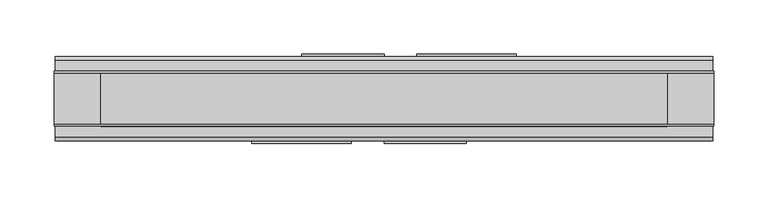
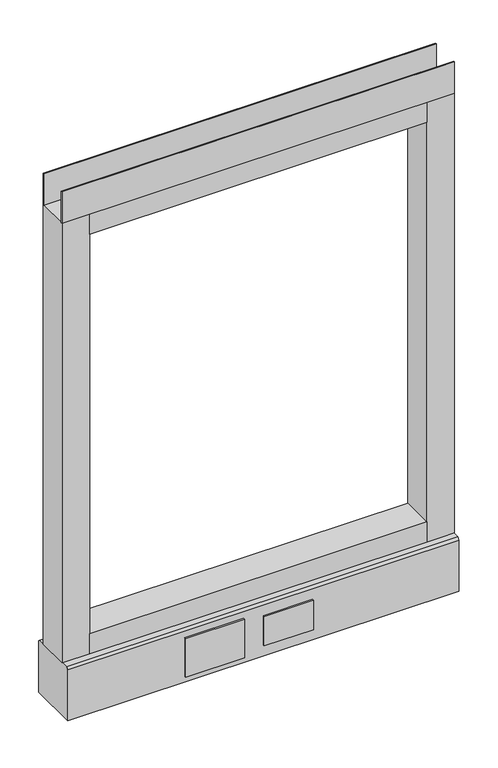
"""IFC4 building model written with IfcOpenShell, lengths in millimetres: furniture geometry."""

import ifcopenshell
import ifcopenshell.guid

model = None  # the IFC model being written
_history = None  # IfcOwnerHistory: only IFC2X3 demands one
_inside = {}  # id of a spatial element -> (the spatial element, [elements in it])
_under = {}  # id of a project, library or spatial element -> (it, [spatial elements below it])
_declared = {}  # id of a project -> (the project, [libraries it declares])
_typed = {}  # id of a type object -> (the type object, [elements of that type])
_made_of = {}  # id of a material, layer set ... -> (it, [elements and type objects made of it])


def new_model(schema):
    """Start an empty IFC model of exactly this schema.

    Asked for "IFC4X3", IfcOpenShell would pick the latest addendum, in which some entities
    have other attributes; the version numbers below select the first issue.
    IFC2X3 requires an IfcOwnerHistory on every rooted entity: one is made here for all.
    """
    global model, _history
    if schema == "IFC4X3":
        model = ifcopenshell.file(schema_version=(4, 3, 0, 0))
    else:
        model = ifcopenshell.file(schema=schema)
    _inside.clear()
    _under.clear()
    _declared.clear()
    _typed.clear()
    _made_of.clear()
    _history = None
    if model.schema == "IFC2X3":
        org = make("IfcOrganization", Name="unknown")
        user = make(
            "IfcPersonAndOrganization",
            ThePerson=make("IfcPerson", FamilyName="unknown"),
            TheOrganization=org,
        )
        app = make(
            "IfcApplication",
            ApplicationDeveloper=org,
            Version="unknown",
            ApplicationFullName="unknown",
            ApplicationIdentifier="unknown",
        )
        _history = make(
            "IfcOwnerHistory",
            OwningUser=user,
            OwningApplication=app,
            ChangeAction="ADDED",
            CreationDate=0,
        )
    return model


def make(cls, **values):
    """One entity of the class cls with the attributes given. An attribute that is None is left unset."""
    return model.create_entity(
        cls, **{name: value for name, value in values.items() if value is not None}
    )


def rooted(cls, **values):
    """An entity with a GlobalId (a new one), such as an element, a storey or a relation."""
    return make(cls, GlobalId=ifcopenshell.guid.new(), OwnerHistory=_history, **values)


def si_unit(unit_type, name, prefix=None):
    """IfcSIUnit, for example si_unit("LENGTHUNIT", "METRE", prefix="MILLI")."""
    return make("IfcSIUnit", UnitType=unit_type, Prefix=prefix, Name=name)


def assignment(units):
    """IfcUnitAssignment: the units of a project."""
    return None if units is None else make("IfcUnitAssignment", Units=units)


def point(xyz):
    """IfcCartesianPoint."""
    return None if xyz is None else make("IfcCartesianPoint", Coordinates=xyz)


def direction(xyz):
    """IfcDirection."""
    return None if xyz is None else make("IfcDirection", DirectionRatios=xyz)


def frame(location, z_axis=None, x_axis=None):
    """IfcAxis2Placement3D, a coordinate frame: its origin and axes. An axis left out is left unset."""
    return make(
        "IfcAxis2Placement3D",
        Location=point(location),
        Axis=direction(z_axis),
        RefDirection=direction(x_axis),
    )


def frame_2d(location, x_axis=None):
    """IfcAxis2Placement2D, a coordinate frame in the plane: its origin and x axis."""
    return make(
        "IfcAxis2Placement2D", Location=point(location), RefDirection=direction(x_axis)
    )


def origin():
    """The frame at (0, 0, 0) with its axes left unset."""
    return frame((0.0, 0.0, 0.0))


def place(relative_to, where):
    """IfcLocalPlacement: puts the frame where relative to a parent placement (None: the world)."""
    return make(
        "IfcLocalPlacement", PlacementRelTo=relative_to, RelativePlacement=where
    )


def context(
    kind, dimensions, precision=None, world=None, true_north=None, identifier=None
):
    """IfcGeometricRepresentationContext, for example the 3D "Model" context."""
    return make(
        "IfcGeometricRepresentationContext",
        ContextIdentifier=identifier,
        ContextType=kind,
        CoordinateSpaceDimension=dimensions,
        Precision=precision,
        WorldCoordinateSystem=world,
        TrueNorth=true_north,
    )


def project(units=None, contexts=None):
    """IfcProject with its units and contexts."""
    return rooted(
        "IfcProject",
        Name="project",
        RepresentationContexts=contexts,
        UnitsInContext=assignment(units),
    )


def spatial(cls, under=None, at=None, **own):
    """A site, building, storey or space (cls), placed at a placement, below another one or the project."""
    s = rooted(cls, ObjectPlacement=at, **own)
    if under is not None:
        _under.setdefault(under.id(), (under, []))[1].append(s)
    return s


def polyline(points):
    """IfcPolyline through the points."""
    return make("IfcPolyline", Points=[point(p) for p in points])


def circle_curve(where, radius):
    """IfcCircle in the frame where."""
    return make("IfcCircle", Position=where, Radius=radius)


def trimmed(basis, trim1, trim2, sense, master):
    """IfcTrimmedCurve: the piece of a basis curve between two trims."""
    return make(
        "IfcTrimmedCurve",
        BasisCurve=basis,
        Trim1=trim1,
        Trim2=trim2,
        SenseAgreement=sense,
        MasterRepresentation=master,
    )


def segment(curve, same_sense, transition):
    """IfcCompositeCurveSegment."""
    return make(
        "IfcCompositeCurveSegment",
        Transition=transition,
        SameSense=same_sense,
        ParentCurve=curve,
    )


def composite_curve(segments, self_intersect=None):
    """IfcCompositeCurve: segments joined end to end."""
    return make("IfcCompositeCurve", Segments=segments, SelfIntersect=self_intersect)


def outline(outer, holes=None, kind="AREA"):
    """IfcArbitraryClosedProfileDef: a profile drawn as a closed curve; with holes, ...WithVoids."""
    if holes is None:
        return make("IfcArbitraryClosedProfileDef", ProfileType=kind, OuterCurve=outer)
    return make(
        "IfcArbitraryProfileDefWithVoids",
        ProfileType=kind,
        OuterCurve=outer,
        InnerCurves=holes,
    )


def extrude(swept, where, along, depth):
    """IfcExtrudedAreaSolid: the profile swept, set in the frame where, extruded along a direction by depth."""
    return make(
        "IfcExtrudedAreaSolid",
        SweptArea=swept,
        Position=where,
        ExtrudedDirection=direction(along),
        Depth=depth,
    )


def shape(context_of_items, identifier, shape_type, items):
    """IfcShapeRepresentation: the items that make up one representation, for example the "Body"."""
    return make(
        "IfcShapeRepresentation",
        ContextOfItems=context_of_items,
        RepresentationIdentifier=identifier,
        RepresentationType=shape_type,
        Items=items,
    )


def source(mapping_origin, context_of_items, identifier, shape_type, items):
    """IfcRepresentationMap: a shape defined once, which mapped items show again and again."""
    return make(
        "IfcRepresentationMap",
        MappingOrigin=mapping_origin,
        MappedRepresentation=shape(context_of_items, identifier, shape_type, items),
    )


def transform(
    local_origin,
    x_axis=None,
    y_axis=None,
    z_axis=None,
    scale=None,
    scale2=None,
    scale3=None,
    uniform=True,
):
    """IfcCartesianTransformationOperator3D, or its non-uniform kind. x_axis, y_axis, z_axis: its Axis1, 2, 3."""
    if uniform:
        return make(
            "IfcCartesianTransformationOperator3D",
            Axis1=direction(x_axis),
            Axis2=direction(y_axis),
            LocalOrigin=point(local_origin),
            Scale=scale,
            Axis3=direction(z_axis),
        )
    return make(
        "IfcCartesianTransformationOperator3DnonUniform",
        Axis1=direction(x_axis),
        Axis2=direction(y_axis),
        LocalOrigin=point(local_origin),
        Scale=scale,
        Axis3=direction(z_axis),
        Scale2=scale2,
        Scale3=scale3,
    )


def mapped(mapping_source, mapping_target):
    """IfcMappedItem: shows the shape of a source again, moved by a transform."""
    return make(
        "IfcMappedItem", MappingSource=mapping_source, MappingTarget=mapping_target
    )


def made_of(thing, what):
    """Note that an element or type object is made of a material, layer set ...; save() writes the relation."""
    if what is not None:
        _made_of.setdefault(what.id(), (what, []))[1].append(thing)
    return thing


def element(
    cls,
    number,
    at=None,
    inside=None,
    cuts=None,
    type_object=None,
    material=None,
    context=None,
    identifier="Body",
    shape_type=None,
    held_by="IfcProductDefinitionShape",
    body=None,
    shapes=None,
    **own,
):
    """One element of the class cls, such as IfcWall. Its Tag is "e" and its number.

    at: its placement. inside: the storey or other place that contains it. cuts: it is an
    opening in that element (IfcRelVoidsElement). A single representation is given by context,
    identifier, shape_type and body (its items); several are given by shapes. held_by: the class
    of the entity that holds the representations. save() writes the other relations.
    """
    e = rooted(cls, Tag="e%d" % number, ObjectPlacement=at, **own)
    if body is not None:
        shapes = [shape(context, identifier, shape_type, body)]
    if shapes is not None:
        e.Representation = make(held_by, Representations=shapes)
    if inside is not None:
        _inside.setdefault(inside.id(), (inside, []))[1].append(e)
    if cuts is not None:
        rooted(
            "IfcRelVoidsElement", RelatingBuildingElement=cuts, RelatedOpeningElement=e
        )
    if type_object is not None:
        _typed.setdefault(type_object.id(), (type_object, []))[1].append(e)
    return made_of(e, material)


def aggregate(whole, parts):
    """IfcRelAggregates: a whole, such as a stair, and the parts it consists of."""
    return rooted("IfcRelAggregates", RelatingObject=whole, RelatedObjects=parts)


def save(model, path):
    """Write the relations noted so far, then the file.

    IfcRelAggregates (storeys below a building ...), IfcRelContainedInSpatialStructure (elements
    in a storey), IfcRelDefinesByType, IfcRelAssociatesMaterial and IfcRelDeclares: one each for
    every whole, place, type object, material and project.
    """
    for whole, parts in _under.values():
        aggregate(whole, parts)
    for where, things in _inside.values():
        rooted(
            "IfcRelContainedInSpatialStructure",
            RelatedElements=things,
            RelatingStructure=where,
        )
    for kind, things in _typed.values():
        rooted("IfcRelDefinesByType", RelatedObjects=things, RelatingType=kind)
    for what, things in _made_of.values():
        rooted("IfcRelAssociatesMaterial", RelatedObjects=things, RelatingMaterial=what)
    for by, libraries in _declared.values():
        rooted("IfcRelDeclares", RelatingContext=by, RelatedDefinitions=libraries)
    model.write(path)


def plane_surface(at):
    """IfcPlane: the flat surface through the origin of the frame at, square to its z axis."""
    return make("IfcPlane", Position=at)


def revolved_surface(curve, axis_point, axis_direction):
    """IfcSurfaceOfRevolution: the curve turned about the line through axis_point along axis_direction."""
    return make(
        "IfcSurfaceOfRevolution",
        SweptCurve=make("IfcArbitraryOpenProfileDef", ProfileType="CURVE", Curve=curve),
        AxisPosition=make("IfcAxis1Placement", Location=point(axis_point), Axis=direction(axis_direction)),
    )


def advanced_brep(points, edges, surfaces, faces):
    """IfcAdvancedBrep: a solid bounded by faces that lie on surfaces and meet in shared edges.

    An edge is (start, end): straight between two places in points (the first is 0);
    or (start, end, curve); or (start, end, curve, False) where it runs against its curve.
    A face is (place in surfaces, loops), or (place, loops, False) where it looks against
    its surface's normal. A loop lists edges by number (the first is 1), with a minus sign
    where the edge is run from its end to its start. The first loop is the outer one.
    """
    corners = [point(p) for p in points]
    vertices = [make("IfcVertexPoint", VertexGeometry=c) for c in corners]
    made = []
    for start, end, *more in edges:
        made.append(
            make(
                "IfcEdgeCurve",
                EdgeStart=vertices[start],
                EdgeEnd=vertices[end],
                EdgeGeometry=more[0] if more else make("IfcPolyline", Points=[corners[start], corners[end]]),
                SameSense=more[1] if len(more) > 1 else True,
            )
        )
    hull = []
    for where, loops, *sense in faces:
        bounds = []
        for j, loop in enumerate(loops):
            ring = [make("IfcOrientedEdge", EdgeElement=made[abs(k) - 1], Orientation=k > 0) for k in loop]
            bounds.append(
                make(
                    "IfcFaceOuterBound" if j == 0 else "IfcFaceBound",
                    Bound=make("IfcEdgeLoop", EdgeList=ring),
                    Orientation=True,
                )
            )
        hull.append(make("IfcAdvancedFace", Bounds=bounds, FaceSurface=surfaces[where], SameSense=sense[0] if sense else True))
    return make("IfcAdvancedBrep", Outer=make("IfcClosedShell", CfsFaces=hull))


def furniture_01b829f5(model_context):
    return source(origin(), model_context, "Body", "SolidModel", [
        advanced_brep(
        [(234.95, 0.0, 6.35), (260.35, 0.0, 6.35), (228.6, 0.0, 0.0), (266.7, 0.0, 0.0)],
        [
            (0, 1, circle_curve(frame((247.65, 0.0, 6.35), z_axis=(0.0, 0.0, 1.0), x_axis=(-1.0, 0.0, 0.0)), 12.7)),
            (1, 0, circle_curve(frame((247.65, 0.0, 6.35), z_axis=(0.0, 0.0, 1.0), x_axis=(1.0, 0.0, 0.0)), 12.7)),
            (2, 3, circle_curve(frame((247.65, 0.0, 0.0), z_axis=(0.0, 0.0, -1.0), x_axis=(1.0, 0.0, 0.0)), 19.05)),
            (3, 2, circle_curve(frame((247.65, 0.0, 0.0), z_axis=(0.0, 0.0, -1.0), x_axis=(-1.0, 0.0, 0.0)), 19.05)),
            (3, 1),
            (0, 2),
        ],
        [
            plane_surface(frame((247.65, 0.0, 6.35), z_axis=(0.0, 0.0, 1.0), x_axis=(0.0, -1.0, 0.0))),
            plane_surface(frame((247.65, 0.0, 0.0), z_axis=(0.0, 0.0, -1.0), x_axis=(0.0, -1.0, 0.0))),
            revolved_surface(polyline([(234.95, 0.0, 6.35), (228.6, 0.0, 0.0)]), (247.65, 0.0, 19.05), (0.0, 0.0, -1.0)),
            revolved_surface(polyline([(260.35, 0.0, 6.35), (266.7, 0.0, 0.0)]), (247.65, 0.0, 19.05), (0.0, 0.0, -1.0)),
        ],
        [
            (0, [[1, 2]]),
            (1, [[3, 4]]),
            (2, [[-4, 5, -1, 6]]),
            (3, [[-3, -6, -2, -5]]),
        ],
    ),
        advanced_brep(
        [(-260.35, 0.0, 6.35), (-234.95, 0.0, 6.35), (-266.7, 0.0, 0.0), (-228.6, 0.0, 0.0)],
        [
            (0, 1, circle_curve(frame((-247.65, 0.0, 6.35), z_axis=(0.0, 0.0, 1.0), x_axis=(-1.0, 0.0, 0.0)), 12.7)),
            (1, 0, circle_curve(frame((-247.65, 0.0, 6.35), z_axis=(0.0, 0.0, 1.0), x_axis=(1.0, 0.0, 0.0)), 12.7)),
            (2, 3, circle_curve(frame((-247.65, 0.0, 0.0), z_axis=(0.0, 0.0, -1.0), x_axis=(1.0, 0.0, 0.0)), 19.05)),
            (3, 2, circle_curve(frame((-247.65, 0.0, 0.0), z_axis=(0.0, 0.0, -1.0), x_axis=(-1.0, 0.0, 0.0)), 19.05)),
            (3, 1),
            (0, 2),
        ],
        [
            plane_surface(frame((-247.65, 0.0, 6.35), z_axis=(0.0, 0.0, 1.0), x_axis=(0.0, -1.0, 0.0))),
            plane_surface(frame((-247.65, 0.0, 0.0), z_axis=(0.0, 0.0, -1.0), x_axis=(0.0, -1.0, 0.0))),
            revolved_surface(polyline([(-260.35, 0.0, 6.35), (-266.7, 0.0, 0.0)]), (-247.65, 0.0, 19.05), (0.0, 0.0, -1.0)),
            revolved_surface(polyline([(-234.95, 0.0, 6.35), (-228.6, 0.0, 0.0)]), (-247.65, 0.0, 19.05), (0.0, 0.0, -1.0)),
        ],
        [
            (0, [[1, 2]]),
            (1, [[3, 4]]),
            (2, [[-4, 5, -1, 6]]),
            (3, [[-3, -6, -2, -5]]),
        ],
    ),
        extrude(outline(polyline([(121.9708, 39.0921875), (30.4292, 39.0921875), (30.4292, 41.4020035), (121.9708, 41.4020035), (121.9708, 39.0921875)])), frame((0.0, 0.0, 23.8125), z_axis=(0.0, 0.0, 1.0), x_axis=(1.0, 0.0, 0.0)), (0.0, 0.0, 1.0), 63.5),
        extrude(outline(polyline([(0.0, 39.0921875), (-76.2, 39.0921875), (-76.2, 41.4020035), (0.0, 41.4020035), (0.0, 39.0921875)])), frame((0.0, 0.0, 32.512), z_axis=(0.0, 0.0, 1.0), x_axis=(1.0, 0.0, 0.0)), (0.0, 0.0, 1.0), 48.26),
        extrude(outline(polyline([(76.2, -41.4019923), (0.0, -41.4019923), (0.0, -39.0921875), (76.2, -39.0921875), (76.2, -41.4019923)])), frame((0.0, 0.0, 32.512), z_axis=(0.0, 0.0, 1.0), x_axis=(1.0, 0.0, 0.0)), (0.0, 0.0, 1.0), 48.26),
        extrude(outline(polyline([(-30.4292, -41.4019923), (-121.9708, -41.4019923), (-121.9708, -39.0921875), (-30.4292, -39.0921875), (-30.4292, -41.4019923)])), frame((0.0, 0.0, 23.8125), z_axis=(0.0, 0.0, 1.0), x_axis=(1.0, 0.0, 0.0)), (0.0, 0.0, 1.0), 63.5),
        extrude(outline(polyline([(304.8, -23.8125), (304.8, -25.4), (-304.8, -25.4), (-304.8, -23.8125), (304.8, -23.8125)])), frame((0.0, 0.0, 822.833), z_axis=(0.0, 0.0, 1.0), x_axis=(1.0, 0.0, 0.0)), (0.0, 0.0, 1.0), 51.435),
        extrude(outline(polyline([(304.8, 25.4), (304.8, 23.8125), (-304.8, 23.8125), (-304.8, 25.4), (304.8, 25.4)])), frame((0.0, 0.0, 822.833), z_axis=(0.0, 0.0, 1.0), x_axis=(1.0, 0.0, 0.0)), (0.0, 0.0, 1.0), 51.435),
        extrude(outline(polyline([(261.9375, -25.4), (-261.9375, -25.4), (-261.9375, 25.4), (261.9375, 25.4), (261.9375, -25.4)])), frame((0.0, 0.0, 789.94), z_axis=(0.0, 0.0, 1.0), x_axis=(1.0, 0.0, 0.0)), (0.0, 0.0, 1.0), 32.893),
        extrude(outline(polyline([(261.9375, -25.4), (-261.9375, -25.4), (-261.9375, 25.4), (261.9375, 25.4), (261.9375, -25.4)])), frame((0.0, 0.0, 101.6), z_axis=(0.0, 0.0, 1.0), x_axis=(1.0, 0.0, 0.0)), (0.0, 0.0, 1.0), 32.893),
        extrude(outline(composite_curve([segment(trimmed(circle_curve(frame_2d((-247.65, 0.0)), 5.55625), [point((-253.20625, 0.0))], [point((-242.09375, 0.0))], False, "CARTESIAN"), True, "CONTINUOUS"), segment(trimmed(circle_curve(frame_2d((-247.65, 0.0)), 5.55625), [point((-242.09375, 0.0))], [point((-253.20625, 0.0))], False, "CARTESIAN"), True, "CONTINUOUS")], self_intersect=False)), frame((0.0, 0.0, 6.35), z_axis=(0.0, 0.0, 1.0), x_axis=(1.0, 0.0, 0.0)), (0.0, 0.0, 1.0), 7.9375),
        extrude(outline(composite_curve([segment(trimmed(circle_curve(frame_2d((247.65, 0.0)), 5.55625), [point((242.09375, 0.0))], [point((253.20625, 0.0))], False, "CARTESIAN"), True, "CONTINUOUS"), segment(trimmed(circle_curve(frame_2d((247.65, 0.0)), 5.55625), [point((253.20625, 0.0))], [point((242.09375, 0.0))], False, "CARTESIAN"), True, "CONTINUOUS")], self_intersect=False)), frame((0.0, 0.0, 6.35), z_axis=(0.0, 0.0, 1.0), x_axis=(1.0, 0.0, 0.0)), (0.0, 0.0, 1.0), 7.9375),
        extrude(outline(polyline([(-261.9375, -25.4), (-304.8, -25.4), (-304.8, 25.4), (-261.9375, 25.4), (-261.9375, -25.4)])), frame((0.0, 0.0, 101.6), z_axis=(0.0, 0.0, 1.0), x_axis=(1.0, 0.0, 0.0)), (0.0, 0.0, 1.0), 721.233),
        extrude(outline(polyline([(304.8, -25.4), (261.9375, -25.4), (261.9375, 25.4), (304.8, 25.4), (304.8, -25.4)])), frame((0.0, 0.0, 101.6), z_axis=(0.0, 0.0, 1.0), x_axis=(1.0, 0.0, 0.0)), (0.0, 0.0, 1.0), 721.233),
        extrude(outline(polyline([(-35.9171875, 101.6), (35.9171875, 101.6), (39.0921875, 98.425), (39.0921875, 14.2875), (-39.0921875, 14.2875), (-39.0921875, 98.425), (-35.9171875, 101.6)])), frame((-303.657, 0.0, 0.0), z_axis=(1.0, 0.0, 0.0), x_axis=(0.0, 1.0, 0.0)), (0.0, 0.0, 1.0), 607.3140102),
    ])


if __name__ == "__main__":
    model = new_model("IFC4")
    model_context = context("Model", 3, world=origin())
    ifc_project = project(units=[si_unit("LENGTHUNIT", "METRE", prefix="MILLI")], contexts=[model_context])
    site = spatial("IfcSite", under=ifc_project)
    building = spatial("IfcBuilding", under=site)
    placement = place(None, origin())
    furniture_shape = furniture_01b829f5(model_context)
    element("IfcFurniture", 1, at=placement, inside=building, context=model_context, shape_type="MappedRepresentation", body=[
        mapped(furniture_shape, transform((0.0, 0.0, 0.0), x_axis=(1.0, 0.0, 0.0), y_axis=(0.0, 1.0, 0.0), z_axis=(0.0, 0.0, 1.0))),
    ])
    save(model, "model.ifc")
